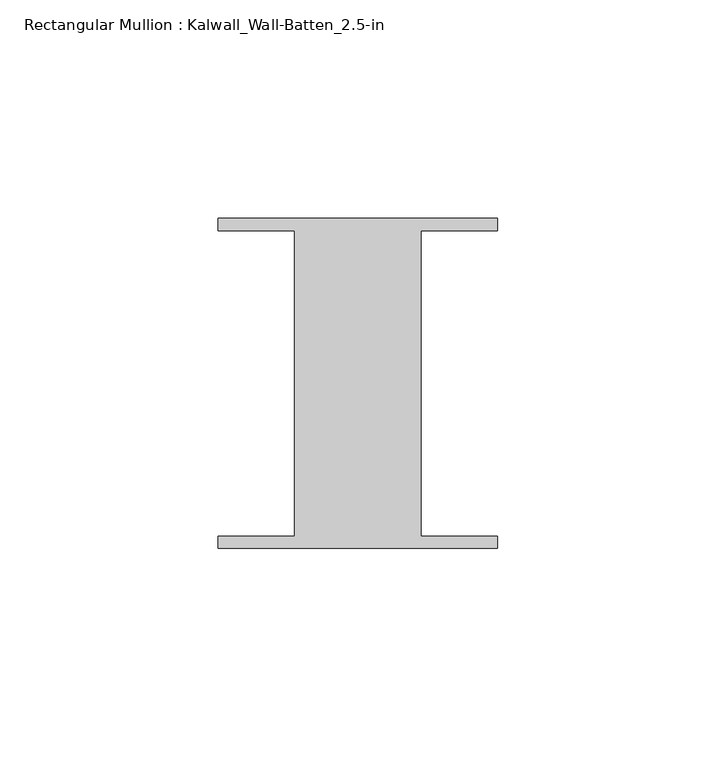
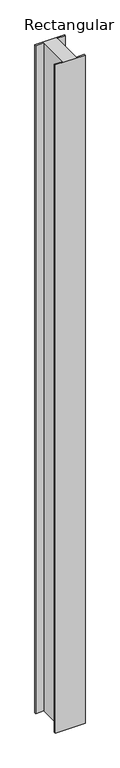
"""IFC4 building model written with IfcOpenShell, lengths in millimetres: member geometry, Rectangular Mullion : Kalwall_Wall-Batten_2.5-in."""

from ifc_helpers import new_model, si_unit, frame, origin, place, context, project, spatial, polyline, outline, extrude, source, transform, mapped, element, save


def rectangular_mullion_kalwall_wall_batten_2_5_in_d75ba41e(model_context):
    return source(origin(), model_context, "Body", "SweptSolid", [
        extrude(outline(polyline([(-32.0, -36.524), (-32.0, -33.73), (-14.5, -33.73), (-14.5, 36.27), (-32.0, 36.27), (-32.0, 39.064), (32.0, 39.064), (32.0, 36.27), (14.5, 36.27), (14.5, -33.73), (32.0, -33.73), (32.0, -36.524), (-32.0, -36.524)])), frame((0.0, 0.0, -1516.2818003), z_axis=(0.0, 0.0, 1.0), x_axis=(1.0, 0.0, 0.0)), (0.0, 0.0, 1.0), 1516.2818003),
    ])


if __name__ == "__main__":
    model = new_model("IFC4")
    model_context = context("Model", 3, world=origin())
    ifc_project = project(units=[si_unit("LENGTHUNIT", "METRE", prefix="MILLI")], contexts=[model_context])
    site = spatial("IfcSite", under=ifc_project)
    building = spatial("IfcBuilding", under=site)
    placement = place(None, origin())
    rectangular_mullion_kalwall_wall_batten_2_5_in_shape = rectangular_mullion_kalwall_wall_batten_2_5_in_d75ba41e(model_context)
    element("IfcMember", 1, ObjectType="Rectangular Mullion : Kalwall_Wall-Batten_2.5-in", at=placement, inside=building, context=model_context, shape_type="MappedRepresentation", body=[
        mapped(rectangular_mullion_kalwall_wall_batten_2_5_in_shape, transform((0.0, 0.0, 0.0), x_axis=(1.0, 0.0, 0.0), y_axis=(0.0, 1.0, 0.0), z_axis=(0.0, 0.0, 1.0))),
    ])
    save(model, "model.ifc")
